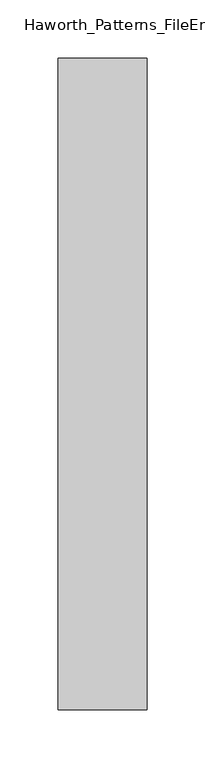
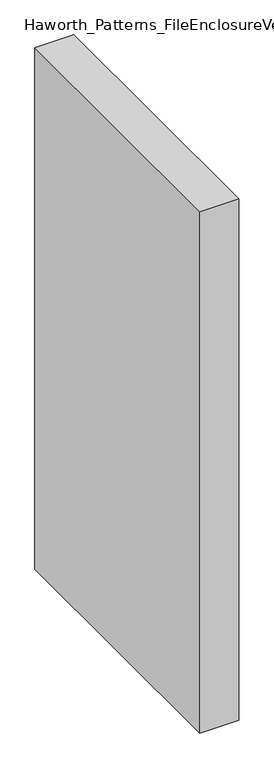
"""IFC4 building model written with IfcOpenShell, lengths in millimetres: furniture geometry, Haworth_Patterns_FileEnclosureVertical : 42.5h 22d."""

from ifc_helpers import new_model, si_unit, origin, origin_with_axes, place, context, project, spatial, polyline, outline, extrude, source, transform, mapped, element, save


def haworth_patterns_fileenclosurevertical_42_5h_22d_3ea9e24f(model_context):
    return source(origin(), model_context, "Body", "SweptSolid", [
        extrude(outline(polyline([(-38.1, 0.0), (38.1, 0.0), (38.1, -558.8), (-38.1, -558.8), (-38.1, 0.0)])), origin_with_axes(), (0.0, 0.0, 1.0), 1079.5),
        extrude(outline(polyline([(38.1, 0.0), (38.1, -558.8), (-38.1, -558.8), (-38.1, 0.0), (38.1, 0.0)])), origin_with_axes(), (0.0, 0.0, 1.0), 1079.5),
    ])


if __name__ == "__main__":
    model = new_model("IFC4")
    model_context = context("Model", 3, world=origin())
    ifc_project = project(units=[si_unit("LENGTHUNIT", "METRE", prefix="MILLI")], contexts=[model_context])
    site = spatial("IfcSite", under=ifc_project)
    building = spatial("IfcBuilding", under=site)
    placement = place(None, origin())
    haworth_patterns_fileenclosurevertical_42_5h_22d_shape = haworth_patterns_fileenclosurevertical_42_5h_22d_3ea9e24f(model_context)
    element("IfcFurniture", 1, ObjectType="Haworth_Patterns_FileEnclosureVertical : 42.5h 22d", at=placement, inside=building, context=model_context, shape_type="MappedRepresentation", body=[
        mapped(haworth_patterns_fileenclosurevertical_42_5h_22d_shape, transform((0.0, 0.0, 0.0), x_axis=(1.0, 0.0, 0.0), y_axis=(0.0, 1.0, 0.0), z_axis=(0.0, 0.0, 1.0))),
    ])
    save(model, "model.ifc")
